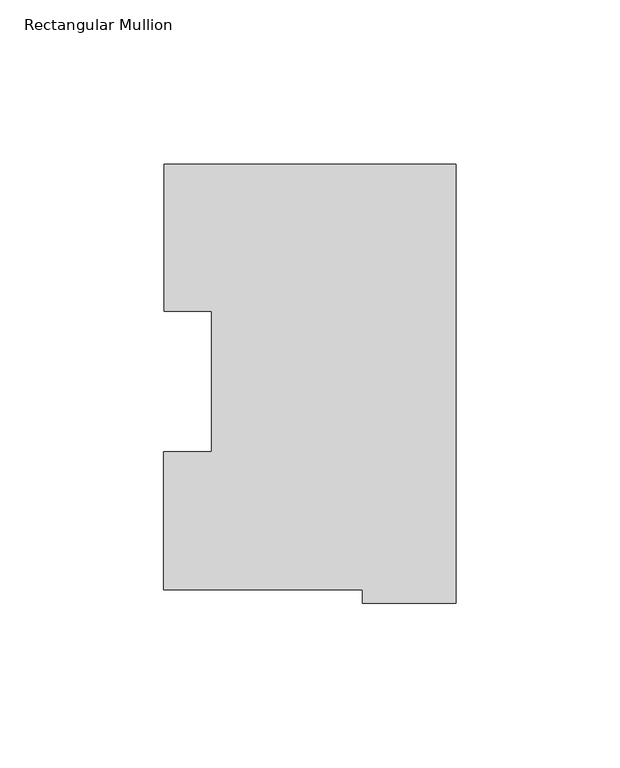
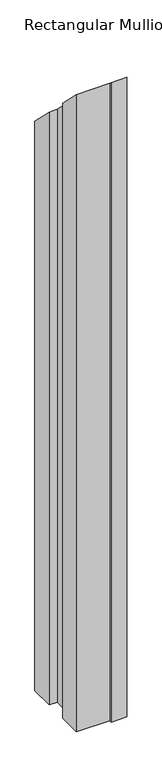
"""IFC4 building model written with IfcOpenShell, lengths in millimetres: member geometry, Rectangular Mullion."""

from ifc_helpers import new_model, si_unit, origin, place, context, project, spatial, faceted_brep, source, transform, mapped, element, save


def rectangular_mullion_b6f65f03(model_context):
    return source(origin(), model_context, "Body", "Brep", [
        faceted_brep([(-88.99652, 130.0368875, -1219.1976187), (0.0, 130.0368875, -1219.1976187), (0.0, -3.9735125, -1219.1976187), (-28.56992, -3.9735125, -1219.1976187), (-28.56992, 0.2428875, -1219.1976187), (-89.1408142, 0.2428875, -1219.1976187), (-89.1408142, 42.2798875, -1219.1976187), (-74.6252, 42.2798875, -1219.1976187), (-74.6252, 85.1296875, -1219.1976187), (-88.99652, 85.1296875, -1219.1976187), (-88.99652, 85.1296875, -85.1296875), (-88.99652, 130.0368875, -130.0368875), (-74.6252, 85.1296875, -85.1296875), (-74.6252, 42.2798875, -42.2798875), (-89.1408142, 42.2798875, -42.2798875), (-89.1408142, 0.2428875, -0.2428875), (-28.56992, 0.2428875, -0.2428875), (-28.56992, -3.9735125, 3.9735125), (0.0, -3.9735125, 3.9735125), (0.0, 130.0368875, -130.0368875)], [[[0, 1, 2, 3, 4, 5, 6, 7, 8, 9]], [[10, 11, 0, 9]], [[12, 10, 9, 8]], [[13, 12, 8, 7]], [[14, 13, 7, 6]], [[15, 14, 6, 5]], [[16, 15, 5, 4]], [[17, 16, 4, 3]], [[18, 17, 3, 2]], [[19, 18, 2, 1]], [[11, 19, 1, 0]], [[11, 10, 12, 13, 14, 15, 16, 17, 18, 19]]]),
    ])


if __name__ == "__main__":
    model = new_model("IFC4")
    model_context = context("Model", 3, world=origin())
    ifc_project = project(units=[si_unit("LENGTHUNIT", "METRE", prefix="MILLI")], contexts=[model_context])
    site = spatial("IfcSite", under=ifc_project)
    building = spatial("IfcBuilding", under=site)
    placement = place(None, origin())
    rectangular_mullion_shape = rectangular_mullion_b6f65f03(model_context)
    element("IfcMember", 1, ObjectType="Rectangular Mullion", at=placement, inside=building, context=model_context, shape_type="MappedRepresentation", body=[
        mapped(rectangular_mullion_shape, transform((0.0, 0.0, 0.0), x_axis=(1.0, 0.0, 0.0), y_axis=(0.0, 1.0, 0.0), z_axis=(0.0, 0.0, 1.0))),
    ])
    save(model, "model.ifc")
